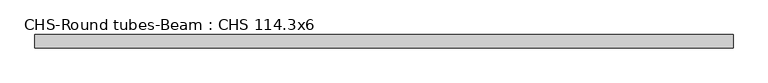
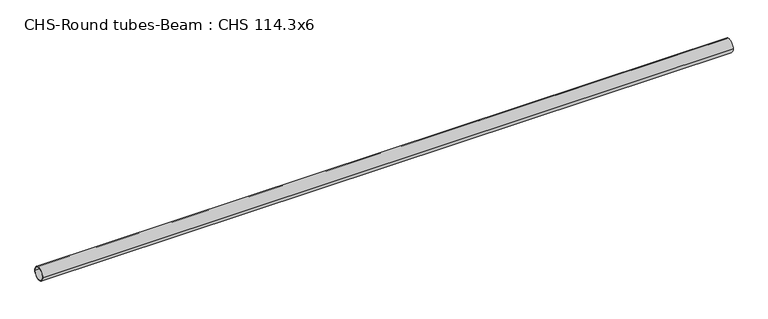
"""IFC4 building model written with IfcOpenShell, lengths in millimetres: beam geometry, CHS-Round tubes-Beam : CHS 114.3x6."""

from ifc_helpers import new_model, si_unit, point, frame, origin, origin_2d, place, context, project, spatial, circle_curve, trimmed, segment, composite_curve, outline, extrude, source, transform, mapped, element, save


def chs_round_tubes_beam_chs_114_3x6_913e89a5(model_context):
    return source(origin(), model_context, "Body", "SweptSolid", [
        extrude(outline(composite_curve([segment(trimmed(circle_curve(origin_2d(), 57.15), [point((57.15, 0.0))], [point((-57.15, 0.0))], False, "CARTESIAN"), True, "CONTINUOUS"), segment(trimmed(circle_curve(origin_2d(), 57.15), [point((-57.15, 0.0))], [point((57.15, 0.0))], False, "CARTESIAN"), True, "CONTINUOUS")], self_intersect=False), holes=[composite_curve([segment(trimmed(circle_curve(origin_2d(), 51.15), [point((51.15, 0.0))], [point((-51.15, 0.0))], True, "CARTESIAN"), True, "CONTINUOUS"), segment(trimmed(circle_curve(origin_2d(), 51.15), [point((-51.15, 0.0))], [point((51.15, 0.0))], True, "CARTESIAN"), True, "CONTINUOUS")], self_intersect=False)]), frame((-3135.0452552, 0.0, 0.0), z_axis=(1.0, 0.0, 0.0), x_axis=(0.0, 1.0, 0.0)), (0.0, 0.0, 1.0), 5878.126551),
    ])


if __name__ == "__main__":
    model = new_model("IFC4")
    model_context = context("Model", 3, world=origin())
    ifc_project = project(units=[si_unit("LENGTHUNIT", "METRE", prefix="MILLI")], contexts=[model_context])
    site = spatial("IfcSite", under=ifc_project)
    building = spatial("IfcBuilding", under=site)
    placement = place(None, origin())
    chs_round_tubes_beam_chs_114_3x6_shape = chs_round_tubes_beam_chs_114_3x6_913e89a5(model_context)
    element("IfcBeam", 1, ObjectType="CHS-Round tubes-Beam : CHS 114.3x6", at=placement, inside=building, context=model_context, shape_type="MappedRepresentation", body=[
        mapped(chs_round_tubes_beam_chs_114_3x6_shape, transform((0.0, 0.0, 0.0), x_axis=(1.0, 0.0, 0.0), y_axis=(0.0, 1.0, 0.0), z_axis=(0.0, 0.0, 1.0))),
    ])
    save(model, "model.ifc")
